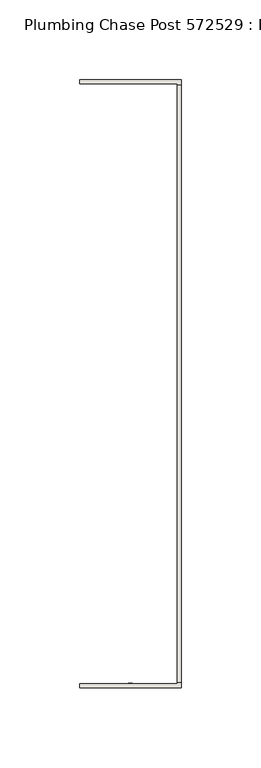
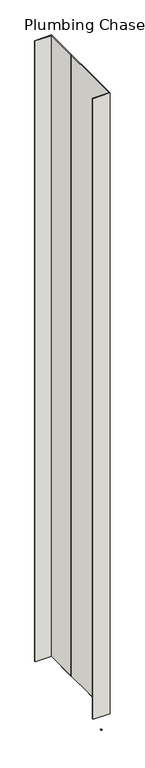
"""IFC4 building model written with IfcOpenShell, lengths in millimetres: wall geometry, Plumbing Chase Post 572529 : Plumbing Chase Post 572529."""

from ifc_helpers import new_model, si_unit, frame, origin, place, context, project, spatial, polyline, outline, extrude, source, transform, mapped, element, save


def plumbing_chase_post_572529_plumbing_chase_post_572529_495bd078(model_context):
    return source(origin(), model_context, "Body", "SweptSolid", [
        extrude(outline(polyline([(44096.3639026, -44462.270867), (44096.3639026, -44459.730867), (44098.9039026, -44459.730867), (44098.9039026, -44462.270867), (44096.3639026, -44462.270867)])), frame((0.0, 0.0, 4419.6), z_axis=(0.0, 0.0, 1.0), x_axis=(1.0, 0.0, 0.0)), (0.0, 0.0, 1.0), 2.54),
        extrude(outline(polyline([(44129.6288602, -44083.9603206), (44129.6288602, -44459.5746062), (44126.9623428, -44459.5746062), (44126.9623428, -44083.9603206), (44129.6288602, -44083.9603206)])), frame((0.0, 0.0, 4474.8958), z_axis=(0.0, 0.0, 1.0), x_axis=(1.0, 0.0, 0.0)), (0.0, 0.0, 1.0), 2481.1482254),
        extrude(outline(polyline([(44129.6288602, -44083.9603206), (44129.6288602, -44459.5746062), (44126.9623428, -44459.5746062), (44126.9623428, -44083.9603206), (44129.6288602, -44083.9603206)])), frame((0.0, 0.0, 4474.8958), z_axis=(0.0, 0.0, 1.0), x_axis=(1.0, 0.0, 0.0)), (0.0, 0.0, 1.0), 2481.1482254),
        extrude(outline(polyline([(44129.6288602, -44080.5062762), (44129.6288602, -44213.8562762), (44126.9623428, -44213.8562762), (44126.9623428, -44083.1727682), (44065.6203522, -44083.1727682), (44065.6203522, -44080.5062762), (44129.6288602, -44080.5062762)])), frame((0.0, 0.0, 4474.8958), z_axis=(0.0, 0.0, 1.0), x_axis=(1.0, 0.0, 0.0)), (0.0, 0.0, 1.0), 2481.1482254),
        extrude(outline(polyline([(44129.6288602, -44080.5062762), (44129.6288602, -44213.8562762), (44126.9623428, -44213.8562762), (44126.9623428, -44083.1727682), (44065.6203522, -44083.1727682), (44065.6203522, -44080.5062762), (44129.6288602, -44080.5062762)])), frame((0.0, 0.0, 4474.8958), z_axis=(0.0, 0.0, 1.0), x_axis=(1.0, 0.0, 0.0)), (0.0, 0.0, 1.0), 2481.1482254),
        extrude(outline(polyline([(44126.9623428, -44329.6786506), (44129.6288602, -44329.6786506), (44129.6288602, -44463.0286506), (44065.6203522, -44463.0286506), (44065.6203522, -44460.3621586), (44126.9623428, -44460.3621586), (44126.9623428, -44329.6786506)])), frame((0.0, 0.0, 4474.8958), z_axis=(0.0, 0.0, 1.0), x_axis=(1.0, 0.0, 0.0)), (0.0, 0.0, 1.0), 2481.1482254),
        extrude(outline(polyline([(44126.9623428, -44329.6786506), (44129.6288602, -44329.6786506), (44129.6288602, -44463.0286506), (44065.6203522, -44463.0286506), (44065.6203522, -44460.3621586), (44126.9623428, -44460.3621586), (44126.9623428, -44329.6786506)])), frame((0.0, 0.0, 4474.8958), z_axis=(0.0, 0.0, 1.0), x_axis=(1.0, 0.0, 0.0)), (0.0, 0.0, 1.0), 2481.1482254),
    ])


if __name__ == "__main__":
    model = new_model("IFC4")
    model_context = context("Model", 3, world=origin())
    ifc_project = project(units=[si_unit("LENGTHUNIT", "METRE", prefix="MILLI")], contexts=[model_context])
    site = spatial("IfcSite", under=ifc_project)
    building = spatial("IfcBuilding", under=site)
    placement = place(None, origin())
    plumbing_chase_post_572529_plumbing_chase_post_572529_shape = plumbing_chase_post_572529_plumbing_chase_post_572529_495bd078(model_context)
    element("IfcWall", 1, ObjectType="Plumbing Chase Post 572529 : Plumbing Chase Post 572529", at=placement, inside=building, context=model_context, shape_type="MappedRepresentation", body=[
        mapped(plumbing_chase_post_572529_plumbing_chase_post_572529_shape, transform((0.0, 0.0, 0.0), x_axis=(1.0, 0.0, 0.0), y_axis=(0.0, 1.0, 0.0), z_axis=(0.0, 0.0, 1.0))),
    ])
    save(model, "model.ifc")
